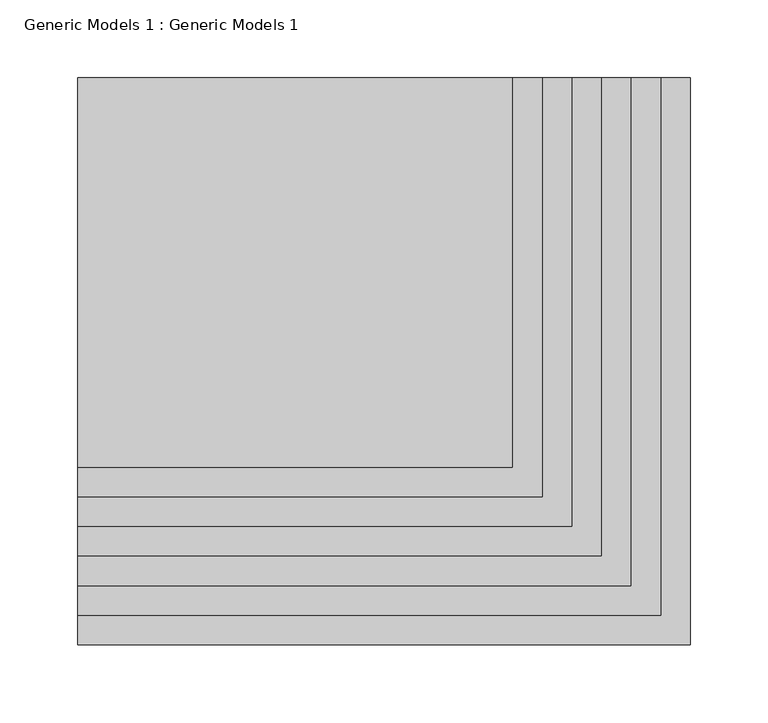
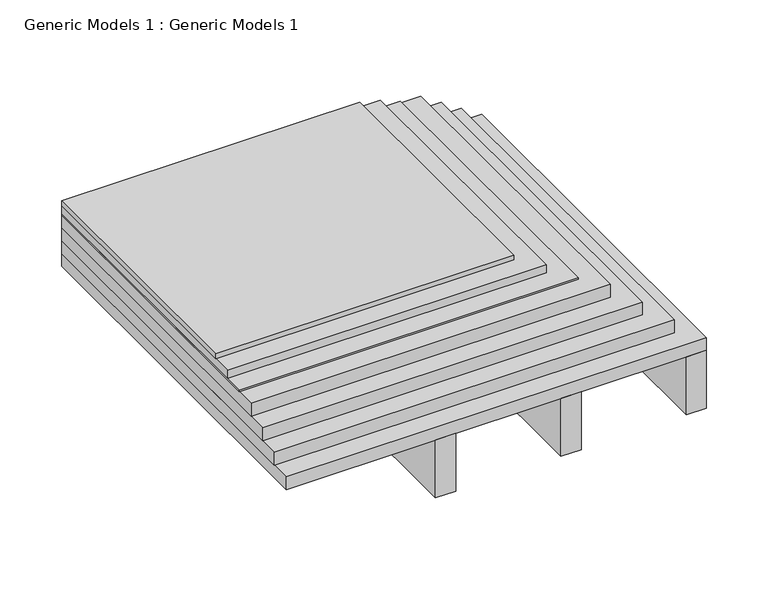
"""IFC4 building model written with IfcOpenShell, lengths in millimetres: proxy geometry, Generic Models 1 : Generic Models 1."""

import ifcopenshell
import ifcopenshell.guid

model = None  # the IFC model being written
_history = None  # IfcOwnerHistory: only IFC2X3 demands one
_inside = {}  # id of a spatial element -> (the spatial element, [elements in it])
_under = {}  # id of a project, library or spatial element -> (it, [spatial elements below it])
_declared = {}  # id of a project -> (the project, [libraries it declares])
_typed = {}  # id of a type object -> (the type object, [elements of that type])
_made_of = {}  # id of a material, layer set ... -> (it, [elements and type objects made of it])


def new_model(schema):
    """Start an empty IFC model of exactly this schema.

    Asked for "IFC4X3", IfcOpenShell would pick the latest addendum, in which some entities
    have other attributes; the version numbers below select the first issue.
    IFC2X3 requires an IfcOwnerHistory on every rooted entity: one is made here for all.
    """
    global model, _history
    if schema == "IFC4X3":
        model = ifcopenshell.file(schema_version=(4, 3, 0, 0))
    else:
        model = ifcopenshell.file(schema=schema)
    _inside.clear()
    _under.clear()
    _declared.clear()
    _typed.clear()
    _made_of.clear()
    _history = None
    if model.schema == "IFC2X3":
        org = make("IfcOrganization", Name="unknown")
        user = make(
            "IfcPersonAndOrganization",
            ThePerson=make("IfcPerson", FamilyName="unknown"),
            TheOrganization=org,
        )
        app = make(
            "IfcApplication",
            ApplicationDeveloper=org,
            Version="unknown",
            ApplicationFullName="unknown",
            ApplicationIdentifier="unknown",
        )
        _history = make(
            "IfcOwnerHistory",
            OwningUser=user,
            OwningApplication=app,
            ChangeAction="ADDED",
            CreationDate=0,
        )
    return model


def make(cls, **values):
    """One entity of the class cls with the attributes given. An attribute that is None is left unset."""
    return model.create_entity(
        cls, **{name: value for name, value in values.items() if value is not None}
    )


def rooted(cls, **values):
    """An entity with a GlobalId (a new one), such as an element, a storey or a relation."""
    return make(cls, GlobalId=ifcopenshell.guid.new(), OwnerHistory=_history, **values)


def si_unit(unit_type, name, prefix=None):
    """IfcSIUnit, for example si_unit("LENGTHUNIT", "METRE", prefix="MILLI")."""
    return make("IfcSIUnit", UnitType=unit_type, Prefix=prefix, Name=name)


def assignment(units):
    """IfcUnitAssignment: the units of a project."""
    return None if units is None else make("IfcUnitAssignment", Units=units)


def point(xyz):
    """IfcCartesianPoint."""
    return None if xyz is None else make("IfcCartesianPoint", Coordinates=xyz)


def direction(xyz):
    """IfcDirection."""
    return None if xyz is None else make("IfcDirection", DirectionRatios=xyz)


def frame(location, z_axis=None, x_axis=None):
    """IfcAxis2Placement3D, a coordinate frame: its origin and axes. An axis left out is left unset."""
    return make(
        "IfcAxis2Placement3D",
        Location=point(location),
        Axis=direction(z_axis),
        RefDirection=direction(x_axis),
    )


def origin():
    """The frame at (0, 0, 0) with its axes left unset."""
    return frame((0.0, 0.0, 0.0))


def place(relative_to, where):
    """IfcLocalPlacement: puts the frame where relative to a parent placement (None: the world)."""
    return make(
        "IfcLocalPlacement", PlacementRelTo=relative_to, RelativePlacement=where
    )


def context(
    kind, dimensions, precision=None, world=None, true_north=None, identifier=None
):
    """IfcGeometricRepresentationContext, for example the 3D "Model" context."""
    return make(
        "IfcGeometricRepresentationContext",
        ContextIdentifier=identifier,
        ContextType=kind,
        CoordinateSpaceDimension=dimensions,
        Precision=precision,
        WorldCoordinateSystem=world,
        TrueNorth=true_north,
    )


def project(units=None, contexts=None):
    """IfcProject with its units and contexts."""
    return rooted(
        "IfcProject",
        Name="project",
        RepresentationContexts=contexts,
        UnitsInContext=assignment(units),
    )


def spatial(cls, under=None, at=None, **own):
    """A site, building, storey or space (cls), placed at a placement, below another one or the project."""
    s = rooted(cls, ObjectPlacement=at, **own)
    if under is not None:
        _under.setdefault(under.id(), (under, []))[1].append(s)
    return s


def polyline(points):
    """IfcPolyline through the points."""
    return make("IfcPolyline", Points=[point(p) for p in points])


def outline(outer, holes=None, kind="AREA"):
    """IfcArbitraryClosedProfileDef: a profile drawn as a closed curve; with holes, ...WithVoids."""
    if holes is None:
        return make("IfcArbitraryClosedProfileDef", ProfileType=kind, OuterCurve=outer)
    return make(
        "IfcArbitraryProfileDefWithVoids",
        ProfileType=kind,
        OuterCurve=outer,
        InnerCurves=holes,
    )


def extrude(swept, where, along, depth):
    """IfcExtrudedAreaSolid: the profile swept, set in the frame where, extruded along a direction by depth."""
    return make(
        "IfcExtrudedAreaSolid",
        SweptArea=swept,
        Position=where,
        ExtrudedDirection=direction(along),
        Depth=depth,
    )


def shape(context_of_items, identifier, shape_type, items):
    """IfcShapeRepresentation: the items that make up one representation, for example the "Body"."""
    return make(
        "IfcShapeRepresentation",
        ContextOfItems=context_of_items,
        RepresentationIdentifier=identifier,
        RepresentationType=shape_type,
        Items=items,
    )


def source(mapping_origin, context_of_items, identifier, shape_type, items):
    """IfcRepresentationMap: a shape defined once, which mapped items show again and again."""
    return make(
        "IfcRepresentationMap",
        MappingOrigin=mapping_origin,
        MappedRepresentation=shape(context_of_items, identifier, shape_type, items),
    )


def transform(
    local_origin,
    x_axis=None,
    y_axis=None,
    z_axis=None,
    scale=None,
    scale2=None,
    scale3=None,
    uniform=True,
):
    """IfcCartesianTransformationOperator3D, or its non-uniform kind. x_axis, y_axis, z_axis: its Axis1, 2, 3."""
    if uniform:
        return make(
            "IfcCartesianTransformationOperator3D",
            Axis1=direction(x_axis),
            Axis2=direction(y_axis),
            LocalOrigin=point(local_origin),
            Scale=scale,
            Axis3=direction(z_axis),
        )
    return make(
        "IfcCartesianTransformationOperator3DnonUniform",
        Axis1=direction(x_axis),
        Axis2=direction(y_axis),
        LocalOrigin=point(local_origin),
        Scale=scale,
        Axis3=direction(z_axis),
        Scale2=scale2,
        Scale3=scale3,
    )


def mapped(mapping_source, mapping_target):
    """IfcMappedItem: shows the shape of a source again, moved by a transform."""
    return make(
        "IfcMappedItem", MappingSource=mapping_source, MappingTarget=mapping_target
    )


def made_of(thing, what):
    """Note that an element or type object is made of a material, layer set ...; save() writes the relation."""
    if what is not None:
        _made_of.setdefault(what.id(), (what, []))[1].append(thing)
    return thing


def element(
    cls,
    number,
    at=None,
    inside=None,
    cuts=None,
    type_object=None,
    material=None,
    context=None,
    identifier="Body",
    shape_type=None,
    held_by="IfcProductDefinitionShape",
    body=None,
    shapes=None,
    **own,
):
    """One element of the class cls, such as IfcWall. Its Tag is "e" and its number.

    at: its placement. inside: the storey or other place that contains it. cuts: it is an
    opening in that element (IfcRelVoidsElement). A single representation is given by context,
    identifier, shape_type and body (its items); several are given by shapes. held_by: the class
    of the entity that holds the representations. save() writes the other relations.
    """
    e = rooted(cls, Tag="e%d" % number, ObjectPlacement=at, **own)
    if body is not None:
        shapes = [shape(context, identifier, shape_type, body)]
    if shapes is not None:
        e.Representation = make(held_by, Representations=shapes)
    if inside is not None:
        _inside.setdefault(inside.id(), (inside, []))[1].append(e)
    if cuts is not None:
        rooted(
            "IfcRelVoidsElement", RelatingBuildingElement=cuts, RelatedOpeningElement=e
        )
    if type_object is not None:
        _typed.setdefault(type_object.id(), (type_object, []))[1].append(e)
    return made_of(e, material)


def aggregate(whole, parts):
    """IfcRelAggregates: a whole, such as a stair, and the parts it consists of."""
    return rooted("IfcRelAggregates", RelatingObject=whole, RelatedObjects=parts)


def save(model, path):
    """Write the relations noted so far, then the file.

    IfcRelAggregates (storeys below a building ...), IfcRelContainedInSpatialStructure (elements
    in a storey), IfcRelDefinesByType, IfcRelAssociatesMaterial and IfcRelDeclares: one each for
    every whole, place, type object, material and project.
    """
    for whole, parts in _under.values():
        aggregate(whole, parts)
    for where, things in _inside.values():
        rooted(
            "IfcRelContainedInSpatialStructure",
            RelatedElements=things,
            RelatingStructure=where,
        )
    for kind, things in _typed.values():
        rooted("IfcRelDefinesByType", RelatedObjects=things, RelatingType=kind)
    for what, things in _made_of.values():
        rooted("IfcRelAssociatesMaterial", RelatedObjects=things, RelatingMaterial=what)
    for by, libraries in _declared.values():
        rooted("IfcRelDeclares", RelatingContext=by, RelatedDefinitions=libraries)
    model.write(path)


def generic_models_1_generic_models_1_0526e6f8(model_context):
    return source(origin(), model_context, "Body", "SweptSolid", [
        extrude(outline(polyline([(-101.6, 364.5288588), (177.8, 364.5288588), (177.8, 114.3), (-101.6, 114.3), (-101.6, 364.5288588)])), frame((0.0, 0.0, 149.225), z_axis=(0.0, 0.0, 1.0), x_axis=(1.0, 0.0, 0.0)), (0.0, 0.0, 1.0), 4.7625),
        extrude(outline(polyline([(-101.6, 364.5288588), (196.85, 364.5288588), (196.85, 95.25), (-101.6, 95.25), (-101.6, 364.5288588)])), frame((0.0, 0.0, 141.2875), z_axis=(0.0, 0.0, 1.0), x_axis=(1.0, 0.0, 0.0)), (0.0, 0.0, 1.0), 7.9375),
        extrude(outline(polyline([(-101.6, 364.5288588), (215.9, 364.5288588), (215.9, 76.2), (-101.6, 76.2), (-101.6, 364.5288588)])), frame((0.0, 0.0, 139.7), z_axis=(0.0, 0.0, 1.0), x_axis=(1.0, 0.0, 0.0)), (0.0, 0.0, 1.0), 1.5875),
        extrude(outline(polyline([(-101.6, 364.5288588), (234.95, 364.5288588), (234.95, 57.15), (-101.6, 57.15), (-101.6, 364.5288588)])), frame((0.0, 0.0, 127.0), z_axis=(0.0, 0.0, 1.0), x_axis=(1.0, 0.0, 0.0)), (0.0, 0.0, 1.0), 12.7),
        extrude(outline(polyline([(-101.6, 364.5288588), (254.0, 364.5288588), (254.0, 38.1), (-101.6, 38.1), (-101.6, 364.5288588)])), frame((0.0, 0.0, 114.3), z_axis=(0.0, 0.0, 1.0), x_axis=(1.0, 0.0, 0.0)), (0.0, 0.0, 1.0), 12.7),
        extrude(outline(polyline([(-101.6, 364.5288588), (273.05, 364.5288588), (273.05, 19.05), (-101.6, 19.05), (-101.6, 364.5288588)])), frame((0.0, 0.0, 101.6), z_axis=(0.0, 0.0, 1.0), x_axis=(1.0, 0.0, 0.0)), (0.0, 0.0, 1.0), 12.7),
        extrude(outline(polyline([(57.15, 0.0), (38.1, 0.0), (38.1, 261.3017557), (57.15, 261.3017557), (57.15, 0.0)])), frame((0.0, 0.0, 31.75), z_axis=(0.0, 0.0, 1.0), x_axis=(1.0, 0.0, 0.0)), (0.0, 0.0, 1.0), 57.15),
        extrude(outline(polyline([(174.625, 0.0), (155.575, 0.0), (155.575, 261.3017557), (174.625, 261.3017557), (174.625, 0.0)])), frame((0.0, 0.0, 31.75), z_axis=(0.0, 0.0, 1.0), x_axis=(1.0, 0.0, 0.0)), (0.0, 0.0, 1.0), 57.15),
        extrude(outline(polyline([(292.1, 0.0), (273.05, 0.0), (273.05, 364.5288588), (292.1, 364.5288588), (292.1, 0.0)])), frame((0.0, 0.0, 31.75), z_axis=(0.0, 0.0, 1.0), x_axis=(1.0, 0.0, 0.0)), (0.0, 0.0, 1.0), 57.15),
        extrude(outline(polyline([(-101.6, 364.5288588), (292.1, 364.5288588), (292.1, 0.0), (-101.6, 0.0), (-101.6, 364.5288588)])), frame((0.0, 0.0, 88.9), z_axis=(0.0, 0.0, 1.0), x_axis=(1.0, 0.0, 0.0)), (0.0, 0.0, 1.0), 12.7),
    ])


if __name__ == "__main__":
    model = new_model("IFC4")
    model_context = context("Model", 3, world=origin())
    ifc_project = project(units=[si_unit("LENGTHUNIT", "METRE", prefix="MILLI")], contexts=[model_context])
    site = spatial("IfcSite", under=ifc_project)
    building = spatial("IfcBuilding", under=site)
    placement = place(None, origin())
    generic_models_1_generic_models_1_shape = generic_models_1_generic_models_1_0526e6f8(model_context)
    element("IfcBuildingElementProxy", 1, Name="Generic Models 1 : Generic Models 1", ObjectType="Generic Models 1 : Generic Models 1", at=placement, inside=building, context=model_context, shape_type="MappedRepresentation", body=[
        mapped(generic_models_1_generic_models_1_shape, transform((0.0, 0.0, 0.0), x_axis=(1.0, 0.0, 0.0), y_axis=(0.0, 1.0, 0.0), z_axis=(0.0, 0.0, 1.0))),
    ])
    save(model, "model.ifc")
